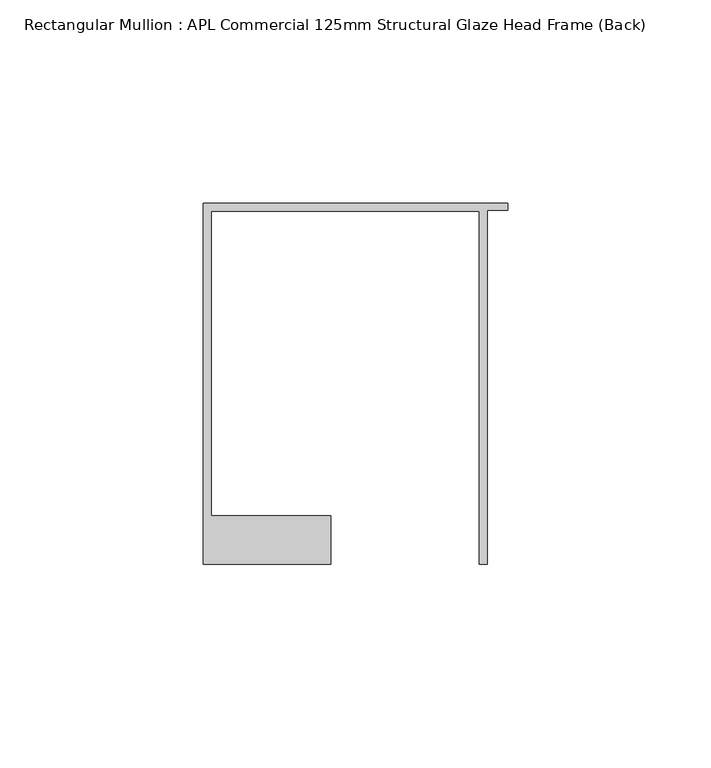
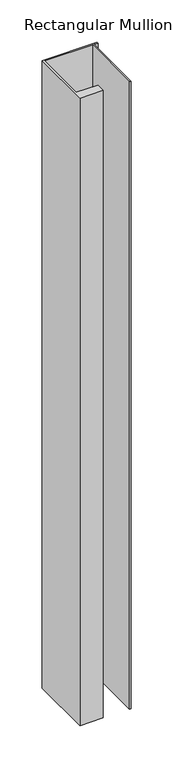
"""IFC4 building model written with IfcOpenShell, lengths in millimetres: member geometry, Rectangular Mullion : APL Commercial 125mm Structural Glaze Head Frame (Back)."""

from ifc_helpers import new_model, si_unit, frame, origin, place, context, project, spatial, polyline, outline, extrude, source, transform, mapped, element, save


def rectangular_mullion_apl_commercial_125mm_structural_glaze_62918175(model_context):
    return source(origin(), model_context, "Body", "SweptSolid", [
        extrude(outline(polyline([(-75.0, 103.9993063), (0.0, 103.9993063), (0.0, 102.1993063), (-5.0, 102.1993063), (-5.0, 14.9998342), (-7.0, 14.9998342), (-7.0, 101.9993063), (-73.0, 101.9993063), (-73.0, 26.9997514), (-43.5000151, 26.9997514), (-43.5000151, 14.9998342), (-75.0, 14.9998342), (-75.0, 103.9993063)])), frame((0.0, 0.0, -904.6388667), z_axis=(0.0, 0.0, 1.0), x_axis=(1.0, 0.0, 0.0)), (0.0, 0.0, 1.0), 904.6388667),
    ])


if __name__ == "__main__":
    model = new_model("IFC4")
    model_context = context("Model", 3, world=origin())
    ifc_project = project(units=[si_unit("LENGTHUNIT", "METRE", prefix="MILLI")], contexts=[model_context])
    site = spatial("IfcSite", under=ifc_project)
    building = spatial("IfcBuilding", under=site)
    placement = place(None, origin())
    rectangular_mullion_apl_commercial_125mm_structural_glaze_shape = rectangular_mullion_apl_commercial_125mm_structural_glaze_62918175(model_context)
    element("IfcMember", 1, ObjectType="Rectangular Mullion : APL Commercial 125mm Structural Glaze Head Frame (Back)", at=placement, inside=building, context=model_context, shape_type="MappedRepresentation", body=[
        mapped(rectangular_mullion_apl_commercial_125mm_structural_glaze_shape, transform((0.0, 0.0, 0.0), x_axis=(1.0, 0.0, 0.0), y_axis=(0.0, 1.0, 0.0), z_axis=(0.0, 0.0, 1.0))),
    ])
    save(model, "model.ifc")
